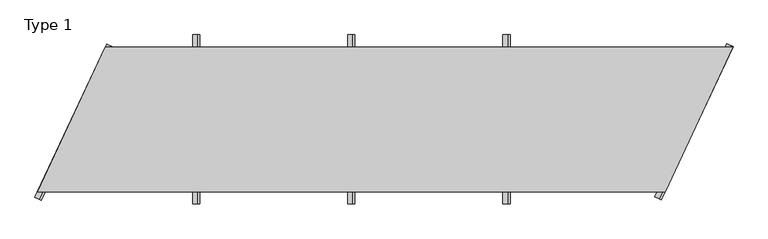
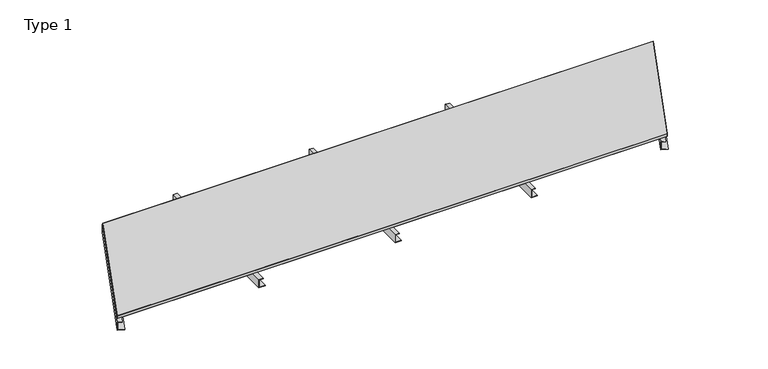
"""IFC4 building model written with IfcOpenShell, lengths in millimetres: proxy geometry, Type 1."""

from ifc_helpers import new_model, si_unit, frame, origin, place, context, project, spatial, polyline, outline, extrude, source, transform, mapped, element, save


def type_1_e192ff49(model_context):
    return source(origin(), model_context, "Body", "SweptSolid", [
        extrude(outline(polyline([(0.0, 1311.4690548), (2.0, 1311.4690548), (2.0, 1283.4690548), (38.0, 1283.4690548), (38.0, 1301.4690548), (40.0, 1301.4690548), (40.0, 1281.4690548), (0.0, 1281.4690548), (0.0, 1311.4690548)])), frame((0.0, -650.0, 0.0), z_axis=(0.0, 1.0, 0.0), x_axis=(0.0, 0.0, 1.0)), (0.0, 0.0, 1.0), 700.0),
        extrude(outline(polyline([(30.0, 0.0), (30.0, -2.0), (1.9999999, -2.0), (1.9999999, -38.0), (19.9999999, -38.0), (19.9999999, -40.0), (0.0, -40.0), (0.0, 0.0), (30.0, 0.0)])), frame((2550.5276572, -619.9634612, 0.0), z_axis=(0.4226182617406978, 0.9063077870366507, 0.0), x_axis=(0.9063077870366507, -0.4226182617406978, 0.0)), (0.0, 0.0, 1.0), 700.0),
        extrude(outline(polyline([(30.0, 0.0), (30.0, -2.0), (2.0, -2.0), (2.0, -38.0), (19.9999999, -38.0), (19.9999999, -40.0), (0.0, -40.0), (0.0, 0.0), (30.0, 0.0)])), frame((-10.3650532, -622.2279284, 0.0), z_axis=(0.4226182617407065, 0.9063077870366466, 0.0), x_axis=(0.9063077870366466, -0.4226182617407065, 0.0)), (0.0, 0.0, 1.0), 700.0),
        extrude(outline(polyline([(0.0, 1952.2035822), (2.0, 1952.2035822), (2.0, 1924.2035822), (38.0, 1924.2035822), (38.0, 1942.2035822), (40.0, 1942.2035822), (40.0, 1922.2035822), (0.0, 1922.2035822), (0.0, 1952.2035822)])), frame((0.0, -650.0, 0.0), z_axis=(0.0, 1.0, 0.0), x_axis=(0.0, 0.0, 1.0)), (0.0, 0.0, 1.0), 700.0),
        extrude(outline(polyline([(0.0, 670.7345274), (2.0, 670.7345274), (2.0, 642.7345274), (38.0, 642.7345274), (38.0, 660.7345274), (40.0, 660.7345274), (40.0, 640.7345274), (0.0, 640.7345274), (0.0, 670.7345274)])), frame((0.0, -650.0, 0.0), z_axis=(0.0, 1.0, 0.0), x_axis=(0.0, 0.0, 1.0)), (0.0, 0.0, 1.0), 700.0),
        extrude(outline(polyline([(2871.1530189, -1.0), (2592.3010393, -599.0), (1.5696856, -599.0), (280.4216652, -1.0), (2871.1530189, -1.0)])), frame((0.0, 0.0, 40.0), z_axis=(0.0, 0.0, 1.0), x_axis=(1.0, 0.0, 0.0)), (0.0, 0.0, 1.0), 13.0),
        extrude(outline(polyline([(2872.7227045, 0.0), (2592.9381096, -600.0), (0.0, -600.0), (279.7845949, 0.0), (2872.7227045, 0.0)]), holes=[polyline([(2871.1530189, -1.0), (280.4216652, -1.0), (1.5696856, -599.0), (2592.3010393, -599.0), (2871.1530189, -1.0)])]), frame((0.0, 0.0, 40.0), z_axis=(0.0, 0.0, 1.0), x_axis=(1.0, 0.0, 0.0)), (0.0, 0.0, 1.0), 13.0),
    ])


if __name__ == "__main__":
    model = new_model("IFC4")
    model_context = context("Model", 3, world=origin())
    ifc_project = project(units=[si_unit("LENGTHUNIT", "METRE", prefix="MILLI")], contexts=[model_context])
    site = spatial("IfcSite", under=ifc_project)
    building = spatial("IfcBuilding", under=site)
    placement = place(None, origin())
    type_1_shape = type_1_e192ff49(model_context)
    element("IfcBuildingElementProxy", 1, Name="Type 1", ObjectType="Type 1", at=placement, inside=building, context=model_context, shape_type="MappedRepresentation", body=[
        mapped(type_1_shape, transform((0.0, 0.0, 0.0), x_axis=(1.0, 0.0, 0.0), y_axis=(0.0, 1.0, 0.0), z_axis=(0.0, 0.0, 1.0))),
    ])
    save(model, "model.ifc")
